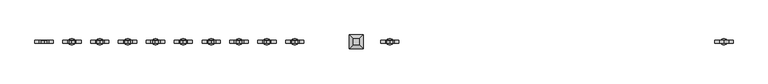
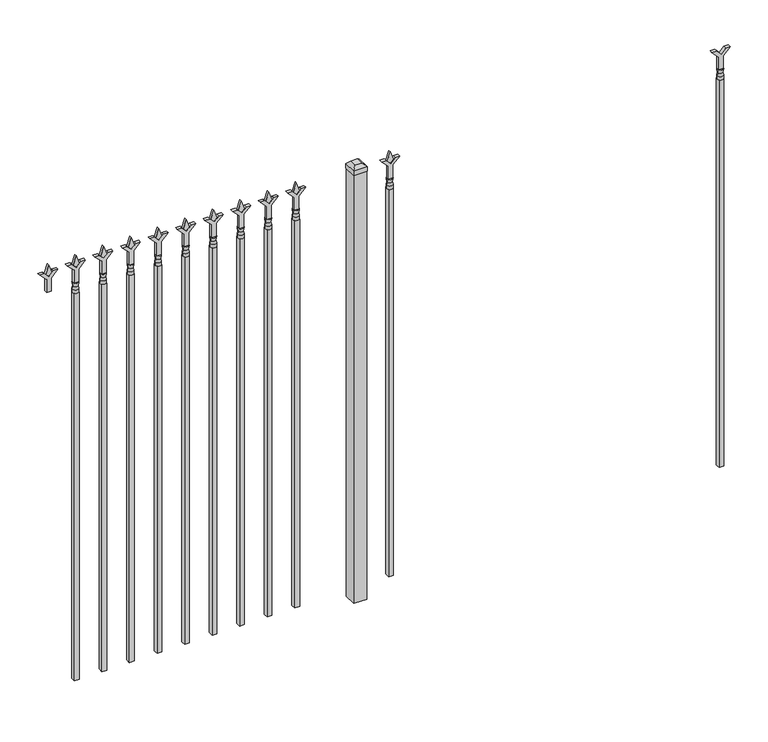
"""IFC4 building model written with IfcOpenShell, lengths in millimetres: railing geometry."""

from ifc_helpers import new_model, si_unit, frame, origin, origin_with_axes, place, context, project, spatial, polyline, circle_curve, outline, extrude, faceted_brep, source, transform, mapped, element, save
from ifc_brep_helpers import plane_surface, cylinder_surface, revolved_surface, advanced_brep


def railing_08a233e8(model_context):
    return source(origin(), model_context, "Body", "SolidModel", [
        extrude(outline(polyline([(1717.675, -64414.749337), (1771.9457378, -64414.749337), (1799.1355122, -64387.5595625), (1799.1355122, -64405.5200747), (1781.175, -64423.480587), (1799.1355122, -64441.4410992), (1799.1355122, -64459.4016114), (1771.9457378, -64432.211837), (1717.675, -64432.211837), (1717.675, -64414.749337)])), frame((0.0, -6737.6070174, 0.0), z_axis=(0.0, 1.0, 0.0), x_axis=(0.0, 0.0, 1.0)), (0.0, 0.0, 1.0), 12.7),
        advanced_brep(
        [(-64411.574337, -6731.2570174, 1689.1), (-64435.386837, -6731.2570174, 1689.1), (-64435.386837, -6731.2570174, 1676.4), (-64411.574337, -6731.2570174, 1676.4), (-64413.7796688, -6731.2570174, 1701.6070585), (-64433.1815051, -6731.2570174, 1701.6070585), (-64411.574337, -6731.2570174, 1717.675), (-64435.386837, -6731.2570174, 1717.675), (-64423.480587, -6731.2570174, 1717.675), (-64423.480587, -6731.2570174, 1676.4)],
        [
            (0, 1, circle_curve(frame((-64423.480587, -6731.2570174, 1689.1), z_axis=(0.0, 0.0, -1.0), x_axis=(-1.0, 0.0, 0.0)), 11.90625)),
            (1, 2),
            (2, 3, circle_curve(frame((-64423.480587, -6731.2570174, 1676.4), z_axis=(0.0, 0.0, 1.0), x_axis=(-1.0, 0.0, 0.0)), 11.90625)),
            (3, 0),
            (1, 0, circle_curve(frame((-64423.480587, -6731.2570174, 1689.1), z_axis=(0.0, 0.0, -1.0), x_axis=(-1.0, 0.0, 0.0)), 11.90625)),
            (3, 2, circle_curve(frame((-64423.480587, -6731.2570174, 1676.4), z_axis=(0.0, 0.0, 1.0), x_axis=(-1.0, 0.0, 0.0)), 11.90625)),
            (4, 5, circle_curve(frame((-64423.480587, -6731.2570174, 1701.6070585), z_axis=(0.0, 0.0, -1.0), x_axis=(-1.0, 0.0, 0.0)), 9.7009181)),
            (5, 1),
            (0, 4),
            (5, 4, circle_curve(frame((-64423.480587, -6731.2570174, 1701.6070585), z_axis=(0.0, 0.0, -1.0), x_axis=(-1.0, 0.0, 0.0)), 9.7009181)),
            (6, 7, circle_curve(frame((-64423.480587, -6731.2570174, 1717.675), z_axis=(0.0, 0.0, -1.0), x_axis=(-1.0, 0.0, 0.0)), 11.90625)),
            (7, 5),
            (4, 6),
            (7, 6, circle_curve(frame((-64423.480587, -6731.2570174, 1717.675), z_axis=(0.0, 0.0, -1.0), x_axis=(-1.0, 0.0, 0.0)), 11.90625)),
            (8, 7),
            (6, 8),
            (2, 9),
            (9, 3),
        ],
        [
            cylinder_surface(frame((-64423.480587, -6731.2570174, 1676.4), z_axis=(0.0, 0.0, 1.0), x_axis=(-1.0, 0.0, 0.0)), 11.90625),
            revolved_surface(polyline([(-64435.386837, -6731.2570174, 1689.1), (-64433.1815051, -6731.2570174, 1701.6070585)]), (-64423.480587, -6731.2570174, 1676.4), (0.0, 0.0, 1.0)),
            revolved_surface(polyline([(-64433.1815051, -6731.2570174, 1701.6070585), (-64435.386837, -6731.2570174, 1717.675)]), (-64423.480587, -6731.2570174, 1676.4), (0.0, 0.0, 1.0)),
            plane_surface(frame((-64423.480587, -6731.2570174, 1717.675), z_axis=(0.0, 0.0, 1.0), x_axis=(-1.0, 0.0, 0.0))),
            plane_surface(frame((-64423.480587, -6731.2570174, 1676.4), z_axis=(0.0, 0.0, -1.0), x_axis=(-1.0, 0.0, 0.0))),
        ],
        [
            (0, [[1, 2, 3, 4]]),
            (0, [[5, -4, 6, -2]]),
            (1, [[7, 8, -1, 9]]),
            (1, [[10, -9, -5, -8]]),
            (2, [[11, 12, -7, 13]]),
            (2, [[14, -13, -10, -12]]),
            (3, [[15, -11, 16]]),
            (3, [[-16, -14, -15]]),
            (4, [[-3, 17, 18]]),
            (4, [[-6, -18, -17]]),
        ],
    ),
        extrude(outline(polyline([(-64433.005587, -6721.7320174), (-64413.955587, -6721.7320174), (-64413.955587, -6740.7820174), (-64433.005587, -6740.7820174), (-64433.005587, -6721.7320174)])), frame((0.0, 0.0, 50.8), z_axis=(0.0, 0.0, 1.0), x_axis=(1.0, 0.0, 0.0)), (0.0, 0.0, 1.0), 1625.6),
        extrude(outline(polyline([(1793.08125, -65722.849337), (1828.8, -65734.755587), (1793.08125, -65746.661837), (1781.175, -65734.755587), (1793.08125, -65722.849337)])), frame((0.0, -6736.0195174, 0.0), z_axis=(0.0, 1.0, 0.0), x_axis=(0.0, 0.0, 1.0)), (0.0, 0.0, 1.0), 9.525),
        extrude(outline(polyline([(1717.675, -65726.024337), (1771.9457378, -65726.024337), (1799.1355122, -65698.8345625), (1799.1355122, -65716.7950747), (1781.175, -65734.755587), (1799.1355122, -65752.7160992), (1799.1355122, -65770.6766114), (1771.9457378, -65743.486837), (1717.675, -65743.486837), (1717.675, -65726.024337)])), frame((0.0, -6737.6070174, 0.0), z_axis=(0.0, 1.0, 0.0), x_axis=(0.0, 0.0, 1.0)), (0.0, 0.0, 1.0), 12.7),
        advanced_brep(
        [(-65722.849337, -6731.2570174, 1689.1), (-65746.661837, -6731.2570174, 1689.1), (-65746.661837, -6731.2570174, 1676.4), (-65722.849337, -6731.2570174, 1676.4), (-65725.0546688, -6731.2570174, 1701.6070585), (-65744.4565051, -6731.2570174, 1701.6070585), (-65722.849337, -6731.2570174, 1717.675), (-65746.661837, -6731.2570174, 1717.675), (-65734.755587, -6731.2570174, 1717.675), (-65734.755587, -6731.2570174, 1676.4)],
        [
            (0, 1, circle_curve(frame((-65734.755587, -6731.2570174, 1689.1), z_axis=(0.0, 0.0, -1.0), x_axis=(-1.0, 0.0, 0.0)), 11.90625)),
            (1, 2),
            (2, 3, circle_curve(frame((-65734.755587, -6731.2570174, 1676.4), z_axis=(0.0, 0.0, 1.0), x_axis=(-1.0, 0.0, 0.0)), 11.90625)),
            (3, 0),
            (1, 0, circle_curve(frame((-65734.755587, -6731.2570174, 1689.1), z_axis=(0.0, 0.0, -1.0), x_axis=(-1.0, 0.0, 0.0)), 11.90625)),
            (3, 2, circle_curve(frame((-65734.755587, -6731.2570174, 1676.4), z_axis=(0.0, 0.0, 1.0), x_axis=(-1.0, 0.0, 0.0)), 11.90625)),
            (4, 5, circle_curve(frame((-65734.755587, -6731.2570174, 1701.6070585), z_axis=(0.0, 0.0, -1.0), x_axis=(-1.0, 0.0, 0.0)), 9.7009181)),
            (5, 1),
            (0, 4),
            (5, 4, circle_curve(frame((-65734.755587, -6731.2570174, 1701.6070585), z_axis=(0.0, 0.0, -1.0), x_axis=(-1.0, 0.0, 0.0)), 9.7009181)),
            (6, 7, circle_curve(frame((-65734.755587, -6731.2570174, 1717.675), z_axis=(0.0, 0.0, -1.0), x_axis=(-1.0, 0.0, 0.0)), 11.90625)),
            (7, 5),
            (4, 6),
            (7, 6, circle_curve(frame((-65734.755587, -6731.2570174, 1717.675), z_axis=(0.0, 0.0, -1.0), x_axis=(-1.0, 0.0, 0.0)), 11.90625)),
            (8, 7),
            (6, 8),
            (2, 9),
            (9, 3),
        ],
        [
            cylinder_surface(frame((-65734.755587, -6731.2570174, 1676.4), z_axis=(0.0, 0.0, 1.0), x_axis=(-1.0, 0.0, 0.0)), 11.90625),
            revolved_surface(polyline([(-65746.661837, -6731.2570174, 1689.1), (-65744.4565051, -6731.2570174, 1701.6070585)]), (-65734.755587, -6731.2570174, 1676.4), (0.0, 0.0, 1.0)),
            revolved_surface(polyline([(-65744.4565051, -6731.2570174, 1701.6070585), (-65746.661837, -6731.2570174, 1717.675)]), (-65734.755587, -6731.2570174, 1676.4), (0.0, 0.0, 1.0)),
            plane_surface(frame((-65734.755587, -6731.2570174, 1717.675), z_axis=(0.0, 0.0, 1.0), x_axis=(-1.0, 0.0, 0.0))),
            plane_surface(frame((-65734.755587, -6731.2570174, 1676.4), z_axis=(0.0, 0.0, -1.0), x_axis=(-1.0, 0.0, 0.0))),
        ],
        [
            (0, [[1, 2, 3, 4]]),
            (0, [[5, -4, 6, -2]]),
            (1, [[7, 8, -1, 9]]),
            (1, [[10, -9, -5, -8]]),
            (2, [[11, 12, -7, 13]]),
            (2, [[14, -13, -10, -12]]),
            (3, [[15, -11, 16]]),
            (3, [[-16, -14, -15]]),
            (4, [[-3, 17, 18]]),
            (4, [[-6, -18, -17]]),
        ],
    ),
        extrude(outline(polyline([(-65744.280587, -6721.7320174), (-65725.230587, -6721.7320174), (-65725.230587, -6740.7820174), (-65744.280587, -6740.7820174), (-65744.280587, -6721.7320174)])), frame((0.0, 0.0, 50.8), z_axis=(0.0, 0.0, 1.0), x_axis=(1.0, 0.0, 0.0)), (0.0, 0.0, 1.0), 1625.6),
        extrude(outline(polyline([(-65841.118087, -6705.8570174), (-65841.118087, -6756.6570174), (-65891.918087, -6756.6570174), (-65891.918087, -6705.8570174), (-65841.118087, -6705.8570174)])), origin_with_axes(), (0.0, 0.0, 1.0), 1797.05),
        faceted_brep([(-65893.505587, -6704.2695174, 1816.1), (-65893.505587, -6704.2695174, 1797.05), (-65893.505587, -6758.2445174, 1797.05), (-65893.505587, -6758.2445174, 1816.1), (-65880.805587, -6716.9695174, 1828.8), (-65880.805587, -6745.5445174, 1828.8), (-65839.530587, -6758.2445174, 1797.05), (-65839.530587, -6758.2445174, 1816.1), (-65852.230587, -6745.5445174, 1828.8), (-65839.530587, -6704.2695174, 1797.05), (-65839.530587, -6704.2695174, 1816.1), (-65852.230587, -6716.9695174, 1828.8)], [[[0, 1, 2, 3]], [[4, 0, 3, 5]], [[3, 2, 6, 7]], [[5, 3, 7, 8]], [[7, 6, 9, 10]], [[8, 7, 10, 11]], [[10, 9, 1, 0]], [[11, 10, 0, 4]], [[5, 8, 11, 4]], [[1, 9, 6, 2]]]),
        extrude(outline(polyline([(1793.08125, -66095.6472536), (1828.8, -66107.5535036), (1793.08125, -66119.4597536), (1781.175, -66107.5535036), (1793.08125, -66095.6472536)])), frame((0.0, -6736.0195174, 0.0), z_axis=(0.0, 1.0, 0.0), x_axis=(0.0, 0.0, 1.0)), (0.0, 0.0, 1.0), 9.525),
        extrude(outline(polyline([(1717.675, -66098.8222536), (1771.9457378, -66098.8222536), (1799.1355122, -66071.6324791), (1799.1355122, -66089.5929914), (1781.175, -66107.5535036), (1799.1355122, -66125.5140159), (1799.1355122, -66143.4745281), (1771.9457378, -66116.2847536), (1717.675, -66116.2847536), (1717.675, -66098.8222536)])), frame((0.0, -6737.6070174, 0.0), z_axis=(0.0, 1.0, 0.0), x_axis=(0.0, 0.0, 1.0)), (0.0, 0.0, 1.0), 12.7),
        advanced_brep(
        [(-66095.6472536, -6731.2570174, 1689.1), (-66119.4597536, -6731.2570174, 1689.1), (-66119.4597536, -6731.2570174, 1676.4), (-66095.6472536, -6731.2570174, 1676.4), (-66097.8525855, -6731.2570174, 1701.6070585), (-66117.2544218, -6731.2570174, 1701.6070585), (-66095.6472536, -6731.2570174, 1717.675), (-66119.4597536, -6731.2570174, 1717.675), (-66107.5535036, -6731.2570174, 1717.675), (-66107.5535036, -6731.2570174, 1676.4)],
        [
            (0, 1, circle_curve(frame((-66107.5535036, -6731.2570174, 1689.1), z_axis=(0.0, 0.0, -1.0), x_axis=(-1.0, 0.0, 0.0)), 11.90625)),
            (1, 2),
            (2, 3, circle_curve(frame((-66107.5535036, -6731.2570174, 1676.4), z_axis=(0.0, 0.0, 1.0), x_axis=(-1.0, 0.0, 0.0)), 11.90625)),
            (3, 0),
            (1, 0, circle_curve(frame((-66107.5535036, -6731.2570174, 1689.1), z_axis=(0.0, 0.0, -1.0), x_axis=(-1.0, 0.0, 0.0)), 11.90625)),
            (3, 2, circle_curve(frame((-66107.5535036, -6731.2570174, 1676.4), z_axis=(0.0, 0.0, 1.0), x_axis=(-1.0, 0.0, 0.0)), 11.90625)),
            (4, 5, circle_curve(frame((-66107.5535036, -6731.2570174, 1701.6070585), z_axis=(0.0, 0.0, -1.0), x_axis=(-1.0, 0.0, 0.0)), 9.7009181)),
            (5, 1),
            (0, 4),
            (5, 4, circle_curve(frame((-66107.5535036, -6731.2570174, 1701.6070585), z_axis=(0.0, 0.0, -1.0), x_axis=(-1.0, 0.0, 0.0)), 9.7009181)),
            (6, 7, circle_curve(frame((-66107.5535036, -6731.2570174, 1717.675), z_axis=(0.0, 0.0, -1.0), x_axis=(-1.0, 0.0, 0.0)), 11.90625)),
            (7, 5),
            (4, 6),
            (7, 6, circle_curve(frame((-66107.5535036, -6731.2570174, 1717.675), z_axis=(0.0, 0.0, -1.0), x_axis=(-1.0, 0.0, 0.0)), 11.90625)),
            (8, 7),
            (6, 8),
            (2, 9),
            (9, 3),
        ],
        [
            cylinder_surface(frame((-66107.5535036, -6731.2570174, 1676.4), z_axis=(0.0, 0.0, 1.0), x_axis=(-1.0, 0.0, 0.0)), 11.90625),
            revolved_surface(polyline([(-66119.4597536, -6731.2570174, 1689.1), (-66117.2544218, -6731.2570174, 1701.6070585)]), (-66107.5535036, -6731.2570174, 1676.4), (0.0, 0.0, 1.0)),
            revolved_surface(polyline([(-66117.2544218, -6731.2570174, 1701.6070585), (-66119.4597536, -6731.2570174, 1717.675)]), (-66107.5535036, -6731.2570174, 1676.4), (0.0, 0.0, 1.0)),
            plane_surface(frame((-66107.5535036, -6731.2570174, 1717.675), z_axis=(0.0, 0.0, 1.0), x_axis=(-1.0, 0.0, 0.0))),
            plane_surface(frame((-66107.5535036, -6731.2570174, 1676.4), z_axis=(0.0, 0.0, -1.0), x_axis=(-1.0, 0.0, 0.0))),
        ],
        [
            (0, [[1, 2, 3, 4]]),
            (0, [[5, -4, 6, -2]]),
            (1, [[7, 8, -1, 9]]),
            (1, [[10, -9, -5, -8]]),
            (2, [[11, 12, -7, 13]]),
            (2, [[14, -13, -10, -12]]),
            (3, [[15, -11, 16]]),
            (3, [[-16, -14, -15]]),
            (4, [[-3, 17, 18]]),
            (4, [[-6, -18, -17]]),
        ],
    ),
        extrude(outline(polyline([(-66117.0785036, -6721.7320174), (-66098.0285036, -6721.7320174), (-66098.0285036, -6740.7820174), (-66117.0785036, -6740.7820174), (-66117.0785036, -6721.7320174)])), frame((0.0, 0.0, 50.8), z_axis=(0.0, 0.0, 1.0), x_axis=(1.0, 0.0, 0.0)), (0.0, 0.0, 1.0), 1625.6),
        extrude(outline(polyline([(1793.08125, -66204.9201703), (1828.8, -66216.8264203), (1793.08125, -66228.7326703), (1781.175, -66216.8264203), (1793.08125, -66204.9201703)])), frame((0.0, -6736.0195174, 0.0), z_axis=(0.0, 1.0, 0.0), x_axis=(0.0, 0.0, 1.0)), (0.0, 0.0, 1.0), 9.525),
        extrude(outline(polyline([(1717.675, -66208.0951703), (1771.9457378, -66208.0951703), (1799.1355122, -66180.9053958), (1799.1355122, -66198.8659081), (1781.175, -66216.8264203), (1799.1355122, -66234.7869325), (1799.1355122, -66252.7474448), (1771.9457378, -66225.5576703), (1717.675, -66225.5576703), (1717.675, -66208.0951703)])), frame((0.0, -6737.6070174, 0.0), z_axis=(0.0, 1.0, 0.0), x_axis=(0.0, 0.0, 1.0)), (0.0, 0.0, 1.0), 12.7),
        advanced_brep(
        [(-66204.9201703, -6731.2570174, 1689.1), (-66228.7326703, -6731.2570174, 1689.1), (-66228.7326703, -6731.2570174, 1676.4), (-66204.9201703, -6731.2570174, 1676.4), (-66207.1255022, -6731.2570174, 1701.6070585), (-66226.5273384, -6731.2570174, 1701.6070585), (-66204.9201703, -6731.2570174, 1717.675), (-66228.7326703, -6731.2570174, 1717.675), (-66216.8264203, -6731.2570174, 1717.675), (-66216.8264203, -6731.2570174, 1676.4)],
        [
            (0, 1, circle_curve(frame((-66216.8264203, -6731.2570174, 1689.1), z_axis=(0.0, 0.0, -1.0), x_axis=(-1.0, 0.0, 0.0)), 11.90625)),
            (1, 2),
            (2, 3, circle_curve(frame((-66216.8264203, -6731.2570174, 1676.4), z_axis=(0.0, 0.0, 1.0), x_axis=(-1.0, 0.0, 0.0)), 11.90625)),
            (3, 0),
            (1, 0, circle_curve(frame((-66216.8264203, -6731.2570174, 1689.1), z_axis=(0.0, 0.0, -1.0), x_axis=(-1.0, 0.0, 0.0)), 11.90625)),
            (3, 2, circle_curve(frame((-66216.8264203, -6731.2570174, 1676.4), z_axis=(0.0, 0.0, 1.0), x_axis=(-1.0, 0.0, 0.0)), 11.90625)),
            (4, 5, circle_curve(frame((-66216.8264203, -6731.2570174, 1701.6070585), z_axis=(0.0, 0.0, -1.0), x_axis=(-1.0, 0.0, 0.0)), 9.7009181)),
            (5, 1),
            (0, 4),
            (5, 4, circle_curve(frame((-66216.8264203, -6731.2570174, 1701.6070585), z_axis=(0.0, 0.0, -1.0), x_axis=(-1.0, 0.0, 0.0)), 9.7009181)),
            (6, 7, circle_curve(frame((-66216.8264203, -6731.2570174, 1717.675), z_axis=(0.0, 0.0, -1.0), x_axis=(-1.0, 0.0, 0.0)), 11.90625)),
            (7, 5),
            (4, 6),
            (7, 6, circle_curve(frame((-66216.8264203, -6731.2570174, 1717.675), z_axis=(0.0, 0.0, -1.0), x_axis=(-1.0, 0.0, 0.0)), 11.90625)),
            (8, 7),
            (6, 8),
            (2, 9),
            (9, 3),
        ],
        [
            cylinder_surface(frame((-66216.8264203, -6731.2570174, 1676.4), z_axis=(0.0, 0.0, 1.0), x_axis=(-1.0, 0.0, 0.0)), 11.90625),
            revolved_surface(polyline([(-66228.7326703, -6731.2570174, 1689.1), (-66226.5273384, -6731.2570174, 1701.6070585)]), (-66216.8264203, -6731.2570174, 1676.4), (0.0, 0.0, 1.0)),
            revolved_surface(polyline([(-66226.5273384, -6731.2570174, 1701.6070585), (-66228.7326703, -6731.2570174, 1717.675)]), (-66216.8264203, -6731.2570174, 1676.4), (0.0, 0.0, 1.0)),
            plane_surface(frame((-66216.8264203, -6731.2570174, 1717.675), z_axis=(0.0, 0.0, 1.0), x_axis=(-1.0, 0.0, 0.0))),
            plane_surface(frame((-66216.8264203, -6731.2570174, 1676.4), z_axis=(0.0, 0.0, -1.0), x_axis=(-1.0, 0.0, 0.0))),
        ],
        [
            (0, [[1, 2, 3, 4]]),
            (0, [[5, -4, 6, -2]]),
            (1, [[7, 8, -1, 9]]),
            (1, [[10, -9, -5, -8]]),
            (2, [[11, 12, -7, 13]]),
            (2, [[14, -13, -10, -12]]),
            (3, [[15, -11, 16]]),
            (3, [[-16, -14, -15]]),
            (4, [[-3, 17, 18]]),
            (4, [[-6, -18, -17]]),
        ],
    ),
        extrude(outline(polyline([(-66226.3514203, -6721.7320174), (-66207.3014203, -6721.7320174), (-66207.3014203, -6740.7820174), (-66226.3514203, -6740.7820174), (-66226.3514203, -6721.7320174)])), frame((0.0, 0.0, 50.8), z_axis=(0.0, 0.0, 1.0), x_axis=(1.0, 0.0, 0.0)), (0.0, 0.0, 1.0), 1625.6),
        extrude(outline(polyline([(1793.08125, -66314.193087), (1828.8, -66326.099337), (1793.08125, -66338.005587), (1781.175, -66326.099337), (1793.08125, -66314.193087)])), frame((0.0, -6736.0195174, 0.0), z_axis=(0.0, 1.0, 0.0), x_axis=(0.0, 0.0, 1.0)), (0.0, 0.0, 1.0), 9.525),
        extrude(outline(polyline([(1717.675, -66317.368087), (1771.9457378, -66317.368087), (1799.1355122, -66290.1783125), (1799.1355122, -66308.1388247), (1781.175, -66326.099337), (1799.1355122, -66344.0598492), (1799.1355122, -66362.0203614), (1771.9457378, -66334.830587), (1717.675, -66334.830587), (1717.675, -66317.368087)])), frame((0.0, -6737.6070174, 0.0), z_axis=(0.0, 1.0, 0.0), x_axis=(0.0, 0.0, 1.0)), (0.0, 0.0, 1.0), 12.7),
        advanced_brep(
        [(-66314.193087, -6731.2570174, 1689.1), (-66338.005587, -6731.2570174, 1689.1), (-66338.005587, -6731.2570174, 1676.4), (-66314.193087, -6731.2570174, 1676.4), (-66316.3984188, -6731.2570174, 1701.6070585), (-66335.8002551, -6731.2570174, 1701.6070585), (-66314.193087, -6731.2570174, 1717.675), (-66338.005587, -6731.2570174, 1717.675), (-66326.099337, -6731.2570174, 1717.675), (-66326.099337, -6731.2570174, 1676.4)],
        [
            (0, 1, circle_curve(frame((-66326.099337, -6731.2570174, 1689.1), z_axis=(0.0, 0.0, -1.0), x_axis=(-1.0, 0.0, 0.0)), 11.90625)),
            (1, 2),
            (2, 3, circle_curve(frame((-66326.099337, -6731.2570174, 1676.4), z_axis=(0.0, 0.0, 1.0), x_axis=(-1.0, 0.0, 0.0)), 11.90625)),
            (3, 0),
            (1, 0, circle_curve(frame((-66326.099337, -6731.2570174, 1689.1), z_axis=(0.0, 0.0, -1.0), x_axis=(-1.0, 0.0, 0.0)), 11.90625)),
            (3, 2, circle_curve(frame((-66326.099337, -6731.2570174, 1676.4), z_axis=(0.0, 0.0, 1.0), x_axis=(-1.0, 0.0, 0.0)), 11.90625)),
            (4, 5, circle_curve(frame((-66326.099337, -6731.2570174, 1701.6070585), z_axis=(0.0, 0.0, -1.0), x_axis=(-1.0, 0.0, 0.0)), 9.7009181)),
            (5, 1),
            (0, 4),
            (5, 4, circle_curve(frame((-66326.099337, -6731.2570174, 1701.6070585), z_axis=(0.0, 0.0, -1.0), x_axis=(-1.0, 0.0, 0.0)), 9.7009181)),
            (6, 7, circle_curve(frame((-66326.099337, -6731.2570174, 1717.675), z_axis=(0.0, 0.0, -1.0), x_axis=(-1.0, 0.0, 0.0)), 11.90625)),
            (7, 5),
            (4, 6),
            (7, 6, circle_curve(frame((-66326.099337, -6731.2570174, 1717.675), z_axis=(0.0, 0.0, -1.0), x_axis=(-1.0, 0.0, 0.0)), 11.90625)),
            (8, 7),
            (6, 8),
            (2, 9),
            (9, 3),
        ],
        [
            cylinder_surface(frame((-66326.099337, -6731.2570174, 1676.4), z_axis=(0.0, 0.0, 1.0), x_axis=(-1.0, 0.0, 0.0)), 11.90625),
            revolved_surface(polyline([(-66338.005587, -6731.2570174, 1689.1), (-66335.8002551, -6731.2570174, 1701.6070585)]), (-66326.099337, -6731.2570174, 1676.4), (0.0, 0.0, 1.0)),
            revolved_surface(polyline([(-66335.8002551, -6731.2570174, 1701.6070585), (-66338.005587, -6731.2570174, 1717.675)]), (-66326.099337, -6731.2570174, 1676.4), (0.0, 0.0, 1.0)),
            plane_surface(frame((-66326.099337, -6731.2570174, 1717.675), z_axis=(0.0, 0.0, 1.0), x_axis=(-1.0, 0.0, 0.0))),
            plane_surface(frame((-66326.099337, -6731.2570174, 1676.4), z_axis=(0.0, 0.0, -1.0), x_axis=(-1.0, 0.0, 0.0))),
        ],
        [
            (0, [[1, 2, 3, 4]]),
            (0, [[5, -4, 6, -2]]),
            (1, [[7, 8, -1, 9]]),
            (1, [[10, -9, -5, -8]]),
            (2, [[11, 12, -7, 13]]),
            (2, [[14, -13, -10, -12]]),
            (3, [[15, -11, 16]]),
            (3, [[-16, -14, -15]]),
            (4, [[-3, 17, 18]]),
            (4, [[-6, -18, -17]]),
        ],
    ),
        extrude(outline(polyline([(-66335.624337, -6721.7320174), (-66316.574337, -6721.7320174), (-66316.574337, -6740.7820174), (-66335.624337, -6740.7820174), (-66335.624337, -6721.7320174)])), frame((0.0, 0.0, 50.8), z_axis=(0.0, 0.0, 1.0), x_axis=(1.0, 0.0, 0.0)), (0.0, 0.0, 1.0), 1625.6),
        extrude(outline(polyline([(1793.08125, -66423.4660036), (1828.8, -66435.3722536), (1793.08125, -66447.2785036), (1781.175, -66435.3722536), (1793.08125, -66423.4660036)])), frame((0.0, -6736.0195174, 0.0), z_axis=(0.0, 1.0, 0.0), x_axis=(0.0, 0.0, 1.0)), (0.0, 0.0, 1.0), 9.525),
        extrude(outline(polyline([(1717.675, -66426.6410036), (1771.9457378, -66426.6410036), (1799.1355122, -66399.4512291), (1799.1355122, -66417.4117414), (1781.175, -66435.3722536), (1799.1355122, -66453.3327659), (1799.1355122, -66471.2932781), (1771.9457378, -66444.1035036), (1717.675, -66444.1035036), (1717.675, -66426.6410036)])), frame((0.0, -6737.6070174, 0.0), z_axis=(0.0, 1.0, 0.0), x_axis=(0.0, 0.0, 1.0)), (0.0, 0.0, 1.0), 12.7),
        advanced_brep(
        [(-66423.4660036, -6731.2570174, 1689.1), (-66447.2785036, -6731.2570174, 1689.1), (-66447.2785036, -6731.2570174, 1676.4), (-66423.4660036, -6731.2570174, 1676.4), (-66425.6713355, -6731.2570174, 1701.6070585), (-66445.0731718, -6731.2570174, 1701.6070585), (-66423.4660036, -6731.2570174, 1717.675), (-66447.2785036, -6731.2570174, 1717.675), (-66435.3722536, -6731.2570174, 1717.675), (-66435.3722536, -6731.2570174, 1676.4)],
        [
            (0, 1, circle_curve(frame((-66435.3722536, -6731.2570174, 1689.1), z_axis=(0.0, 0.0, -1.0), x_axis=(-1.0, 0.0, 0.0)), 11.90625)),
            (1, 2),
            (2, 3, circle_curve(frame((-66435.3722536, -6731.2570174, 1676.4), z_axis=(0.0, 0.0, 1.0), x_axis=(-1.0, 0.0, 0.0)), 11.90625)),
            (3, 0),
            (1, 0, circle_curve(frame((-66435.3722536, -6731.2570174, 1689.1), z_axis=(0.0, 0.0, -1.0), x_axis=(-1.0, 0.0, 0.0)), 11.90625)),
            (3, 2, circle_curve(frame((-66435.3722536, -6731.2570174, 1676.4), z_axis=(0.0, 0.0, 1.0), x_axis=(-1.0, 0.0, 0.0)), 11.90625)),
            (4, 5, circle_curve(frame((-66435.3722536, -6731.2570174, 1701.6070585), z_axis=(0.0, 0.0, -1.0), x_axis=(-1.0, 0.0, 0.0)), 9.7009181)),
            (5, 1),
            (0, 4),
            (5, 4, circle_curve(frame((-66435.3722536, -6731.2570174, 1701.6070585), z_axis=(0.0, 0.0, -1.0), x_axis=(-1.0, 0.0, 0.0)), 9.7009181)),
            (6, 7, circle_curve(frame((-66435.3722536, -6731.2570174, 1717.675), z_axis=(0.0, 0.0, -1.0), x_axis=(-1.0, 0.0, 0.0)), 11.90625)),
            (7, 5),
            (4, 6),
            (7, 6, circle_curve(frame((-66435.3722536, -6731.2570174, 1717.675), z_axis=(0.0, 0.0, -1.0), x_axis=(-1.0, 0.0, 0.0)), 11.90625)),
            (8, 7),
            (6, 8),
            (2, 9),
            (9, 3),
        ],
        [
            cylinder_surface(frame((-66435.3722536, -6731.2570174, 1676.4), z_axis=(0.0, 0.0, 1.0), x_axis=(-1.0, 0.0, 0.0)), 11.90625),
            revolved_surface(polyline([(-66447.2785036, -6731.2570174, 1689.1), (-66445.0731718, -6731.2570174, 1701.6070585)]), (-66435.3722536, -6731.2570174, 1676.4), (0.0, 0.0, 1.0)),
            revolved_surface(polyline([(-66445.0731718, -6731.2570174, 1701.6070585), (-66447.2785036, -6731.2570174, 1717.675)]), (-66435.3722536, -6731.2570174, 1676.4), (0.0, 0.0, 1.0)),
            plane_surface(frame((-66435.3722536, -6731.2570174, 1717.675), z_axis=(0.0, 0.0, 1.0), x_axis=(-1.0, 0.0, 0.0))),
            plane_surface(frame((-66435.3722536, -6731.2570174, 1676.4), z_axis=(0.0, 0.0, -1.0), x_axis=(-1.0, 0.0, 0.0))),
        ],
        [
            (0, [[1, 2, 3, 4]]),
            (0, [[5, -4, 6, -2]]),
            (1, [[7, 8, -1, 9]]),
            (1, [[10, -9, -5, -8]]),
            (2, [[11, 12, -7, 13]]),
            (2, [[14, -13, -10, -12]]),
            (3, [[15, -11, 16]]),
            (3, [[-16, -14, -15]]),
            (4, [[-3, 17, 18]]),
            (4, [[-6, -18, -17]]),
        ],
    ),
        extrude(outline(polyline([(-66444.8972536, -6721.7320174), (-66425.8472536, -6721.7320174), (-66425.8472536, -6740.7820174), (-66444.8972536, -6740.7820174), (-66444.8972536, -6721.7320174)])), frame((0.0, 0.0, 50.8), z_axis=(0.0, 0.0, 1.0), x_axis=(1.0, 0.0, 0.0)), (0.0, 0.0, 1.0), 1625.6),
        extrude(outline(polyline([(1793.08125, -66532.7389203), (1828.8, -66544.6451703), (1793.08125, -66556.5514203), (1781.175, -66544.6451703), (1793.08125, -66532.7389203)])), frame((0.0, -6736.0195174, 0.0), z_axis=(0.0, 1.0, 0.0), x_axis=(0.0, 0.0, 1.0)), (0.0, 0.0, 1.0), 9.525),
        extrude(outline(polyline([(1717.675, -66535.9139203), (1771.9457378, -66535.9139203), (1799.1355122, -66508.7241458), (1799.1355122, -66526.6846581), (1781.175, -66544.6451703), (1799.1355122, -66562.6056825), (1799.1355122, -66580.5661948), (1771.9457378, -66553.3764203), (1717.675, -66553.3764203), (1717.675, -66535.9139203)])), frame((0.0, -6737.6070174, 0.0), z_axis=(0.0, 1.0, 0.0), x_axis=(0.0, 0.0, 1.0)), (0.0, 0.0, 1.0), 12.7),
        advanced_brep(
        [(-66532.7389203, -6731.2570174, 1689.1), (-66556.5514203, -6731.2570174, 1689.1), (-66556.5514203, -6731.2570174, 1676.4), (-66532.7389203, -6731.2570174, 1676.4), (-66534.9442522, -6731.2570174, 1701.6070585), (-66554.3460884, -6731.2570174, 1701.6070585), (-66532.7389203, -6731.2570174, 1717.675), (-66556.5514203, -6731.2570174, 1717.675), (-66544.6451703, -6731.2570174, 1717.675), (-66544.6451703, -6731.2570174, 1676.4)],
        [
            (0, 1, circle_curve(frame((-66544.6451703, -6731.2570174, 1689.1), z_axis=(0.0, 0.0, -1.0), x_axis=(-1.0, 0.0, 0.0)), 11.90625)),
            (1, 2),
            (2, 3, circle_curve(frame((-66544.6451703, -6731.2570174, 1676.4), z_axis=(0.0, 0.0, 1.0), x_axis=(-1.0, 0.0, 0.0)), 11.90625)),
            (3, 0),
            (1, 0, circle_curve(frame((-66544.6451703, -6731.2570174, 1689.1), z_axis=(0.0, 0.0, -1.0), x_axis=(-1.0, 0.0, 0.0)), 11.90625)),
            (3, 2, circle_curve(frame((-66544.6451703, -6731.2570174, 1676.4), z_axis=(0.0, 0.0, 1.0), x_axis=(-1.0, 0.0, 0.0)), 11.90625)),
            (4, 5, circle_curve(frame((-66544.6451703, -6731.2570174, 1701.6070585), z_axis=(0.0, 0.0, -1.0), x_axis=(-1.0, 0.0, 0.0)), 9.7009181)),
            (5, 1),
            (0, 4),
            (5, 4, circle_curve(frame((-66544.6451703, -6731.2570174, 1701.6070585), z_axis=(0.0, 0.0, -1.0), x_axis=(-1.0, 0.0, 0.0)), 9.7009181)),
            (6, 7, circle_curve(frame((-66544.6451703, -6731.2570174, 1717.675), z_axis=(0.0, 0.0, -1.0), x_axis=(-1.0, 0.0, 0.0)), 11.90625)),
            (7, 5),
            (4, 6),
            (7, 6, circle_curve(frame((-66544.6451703, -6731.2570174, 1717.675), z_axis=(0.0, 0.0, -1.0), x_axis=(-1.0, 0.0, 0.0)), 11.90625)),
            (8, 7),
            (6, 8),
            (2, 9),
            (9, 3),
        ],
        [
            cylinder_surface(frame((-66544.6451703, -6731.2570174, 1676.4), z_axis=(0.0, 0.0, 1.0), x_axis=(-1.0, 0.0, 0.0)), 11.90625),
            revolved_surface(polyline([(-66556.5514203, -6731.2570174, 1689.1), (-66554.3460884, -6731.2570174, 1701.6070585)]), (-66544.6451703, -6731.2570174, 1676.4), (0.0, 0.0, 1.0)),
            revolved_surface(polyline([(-66554.3460884, -6731.2570174, 1701.6070585), (-66556.5514203, -6731.2570174, 1717.675)]), (-66544.6451703, -6731.2570174, 1676.4), (0.0, 0.0, 1.0)),
            plane_surface(frame((-66544.6451703, -6731.2570174, 1717.675), z_axis=(0.0, 0.0, 1.0), x_axis=(-1.0, 0.0, 0.0))),
            plane_surface(frame((-66544.6451703, -6731.2570174, 1676.4), z_axis=(0.0, 0.0, -1.0), x_axis=(-1.0, 0.0, 0.0))),
        ],
        [
            (0, [[1, 2, 3, 4]]),
            (0, [[5, -4, 6, -2]]),
            (1, [[7, 8, -1, 9]]),
            (1, [[10, -9, -5, -8]]),
            (2, [[11, 12, -7, 13]]),
            (2, [[14, -13, -10, -12]]),
            (3, [[15, -11, 16]]),
            (3, [[-16, -14, -15]]),
            (4, [[-3, 17, 18]]),
            (4, [[-6, -18, -17]]),
        ],
    ),
        extrude(outline(polyline([(-66554.1701703, -6721.7320174), (-66535.1201703, -6721.7320174), (-66535.1201703, -6740.7820174), (-66554.1701703, -6740.7820174), (-66554.1701703, -6721.7320174)])), frame((0.0, 0.0, 50.8), z_axis=(0.0, 0.0, 1.0), x_axis=(1.0, 0.0, 0.0)), (0.0, 0.0, 1.0), 1625.6),
        extrude(outline(polyline([(1793.08125, -66642.011837), (1828.8, -66653.918087), (1793.08125, -66665.824337), (1781.175, -66653.918087), (1793.08125, -66642.011837)])), frame((0.0, -6736.0195174, 0.0), z_axis=(0.0, 1.0, 0.0), x_axis=(0.0, 0.0, 1.0)), (0.0, 0.0, 1.0), 9.525),
        extrude(outline(polyline([(1717.675, -66645.186837), (1771.9457378, -66645.186837), (1799.1355122, -66617.9970625), (1799.1355122, -66635.9575747), (1781.175, -66653.918087), (1799.1355122, -66671.8785992), (1799.1355122, -66689.8391114), (1771.9457378, -66662.649337), (1717.675, -66662.649337), (1717.675, -66645.186837)])), frame((0.0, -6737.6070174, 0.0), z_axis=(0.0, 1.0, 0.0), x_axis=(0.0, 0.0, 1.0)), (0.0, 0.0, 1.0), 12.7),
        advanced_brep(
        [(-66642.011837, -6731.2570174, 1689.1), (-66665.824337, -6731.2570174, 1689.1), (-66665.824337, -6731.2570174, 1676.4), (-66642.011837, -6731.2570174, 1676.4), (-66644.2171688, -6731.2570174, 1701.6070585), (-66663.6190051, -6731.2570174, 1701.6070585), (-66642.011837, -6731.2570174, 1717.675), (-66665.824337, -6731.2570174, 1717.675), (-66653.918087, -6731.2570174, 1717.675), (-66653.918087, -6731.2570174, 1676.4)],
        [
            (0, 1, circle_curve(frame((-66653.918087, -6731.2570174, 1689.1), z_axis=(0.0, 0.0, -1.0), x_axis=(-1.0, 0.0, 0.0)), 11.90625)),
            (1, 2),
            (2, 3, circle_curve(frame((-66653.918087, -6731.2570174, 1676.4), z_axis=(0.0, 0.0, 1.0), x_axis=(-1.0, 0.0, 0.0)), 11.90625)),
            (3, 0),
            (1, 0, circle_curve(frame((-66653.918087, -6731.2570174, 1689.1), z_axis=(0.0, 0.0, -1.0), x_axis=(-1.0, 0.0, 0.0)), 11.90625)),
            (3, 2, circle_curve(frame((-66653.918087, -6731.2570174, 1676.4), z_axis=(0.0, 0.0, 1.0), x_axis=(-1.0, 0.0, 0.0)), 11.90625)),
            (4, 5, circle_curve(frame((-66653.918087, -6731.2570174, 1701.6070585), z_axis=(0.0, 0.0, -1.0), x_axis=(-1.0, 0.0, 0.0)), 9.7009181)),
            (5, 1),
            (0, 4),
            (5, 4, circle_curve(frame((-66653.918087, -6731.2570174, 1701.6070585), z_axis=(0.0, 0.0, -1.0), x_axis=(-1.0, 0.0, 0.0)), 9.7009181)),
            (6, 7, circle_curve(frame((-66653.918087, -6731.2570174, 1717.675), z_axis=(0.0, 0.0, -1.0), x_axis=(-1.0, 0.0, 0.0)), 11.90625)),
            (7, 5),
            (4, 6),
            (7, 6, circle_curve(frame((-66653.918087, -6731.2570174, 1717.675), z_axis=(0.0, 0.0, -1.0), x_axis=(-1.0, 0.0, 0.0)), 11.90625)),
            (8, 7),
            (6, 8),
            (2, 9),
            (9, 3),
        ],
        [
            cylinder_surface(frame((-66653.918087, -6731.2570174, 1676.4), z_axis=(0.0, 0.0, 1.0), x_axis=(-1.0, 0.0, 0.0)), 11.90625),
            revolved_surface(polyline([(-66665.824337, -6731.2570174, 1689.1), (-66663.6190051, -6731.2570174, 1701.6070585)]), (-66653.918087, -6731.2570174, 1676.4), (0.0, 0.0, 1.0)),
            revolved_surface(polyline([(-66663.6190051, -6731.2570174, 1701.6070585), (-66665.824337, -6731.2570174, 1717.675)]), (-66653.918087, -6731.2570174, 1676.4), (0.0, 0.0, 1.0)),
            plane_surface(frame((-66653.918087, -6731.2570174, 1717.675), z_axis=(0.0, 0.0, 1.0), x_axis=(-1.0, 0.0, 0.0))),
            plane_surface(frame((-66653.918087, -6731.2570174, 1676.4), z_axis=(0.0, 0.0, -1.0), x_axis=(-1.0, 0.0, 0.0))),
        ],
        [
            (0, [[1, 2, 3, 4]]),
            (0, [[5, -4, 6, -2]]),
            (1, [[7, 8, -1, 9]]),
            (1, [[10, -9, -5, -8]]),
            (2, [[11, 12, -7, 13]]),
            (2, [[14, -13, -10, -12]]),
            (3, [[15, -11, 16]]),
            (3, [[-16, -14, -15]]),
            (4, [[-3, 17, 18]]),
            (4, [[-6, -18, -17]]),
        ],
    ),
        extrude(outline(polyline([(-66663.443087, -6721.7320174), (-66644.393087, -6721.7320174), (-66644.393087, -6740.7820174), (-66663.443087, -6740.7820174), (-66663.443087, -6721.7320174)])), frame((0.0, 0.0, 50.8), z_axis=(0.0, 0.0, 1.0), x_axis=(1.0, 0.0, 0.0)), (0.0, 0.0, 1.0), 1625.6),
        extrude(outline(polyline([(1793.08125, -66751.2847536), (1828.8, -66763.1910036), (1793.08125, -66775.0972536), (1781.175, -66763.1910036), (1793.08125, -66751.2847536)])), frame((0.0, -6736.0195174, 0.0), z_axis=(0.0, 1.0, 0.0), x_axis=(0.0, 0.0, 1.0)), (0.0, 0.0, 1.0), 9.525),
        extrude(outline(polyline([(1717.675, -66754.4597536), (1771.9457378, -66754.4597536), (1799.1355122, -66727.2699791), (1799.1355122, -66745.2304914), (1781.175, -66763.1910036), (1799.1355122, -66781.1515159), (1799.1355122, -66799.1120281), (1771.9457378, -66771.9222536), (1717.675, -66771.9222536), (1717.675, -66754.4597536)])), frame((0.0, -6737.6070174, 0.0), z_axis=(0.0, 1.0, 0.0), x_axis=(0.0, 0.0, 1.0)), (0.0, 0.0, 1.0), 12.7),
        advanced_brep(
        [(-66751.2847536, -6731.2570174, 1689.1), (-66775.0972536, -6731.2570174, 1689.1), (-66775.0972536, -6731.2570174, 1676.4), (-66751.2847536, -6731.2570174, 1676.4), (-66753.4900855, -6731.2570174, 1701.6070585), (-66772.8919218, -6731.2570174, 1701.6070585), (-66751.2847536, -6731.2570174, 1717.675), (-66775.0972536, -6731.2570174, 1717.675), (-66763.1910036, -6731.2570174, 1717.675), (-66763.1910036, -6731.2570174, 1676.4)],
        [
            (0, 1, circle_curve(frame((-66763.1910036, -6731.2570174, 1689.1), z_axis=(0.0, 0.0, -1.0), x_axis=(-1.0, 0.0, 0.0)), 11.90625)),
            (1, 2),
            (2, 3, circle_curve(frame((-66763.1910036, -6731.2570174, 1676.4), z_axis=(0.0, 0.0, 1.0), x_axis=(-1.0, 0.0, 0.0)), 11.90625)),
            (3, 0),
            (1, 0, circle_curve(frame((-66763.1910036, -6731.2570174, 1689.1), z_axis=(0.0, 0.0, -1.0), x_axis=(-1.0, 0.0, 0.0)), 11.90625)),
            (3, 2, circle_curve(frame((-66763.1910036, -6731.2570174, 1676.4), z_axis=(0.0, 0.0, 1.0), x_axis=(-1.0, 0.0, 0.0)), 11.90625)),
            (4, 5, circle_curve(frame((-66763.1910036, -6731.2570174, 1701.6070585), z_axis=(0.0, 0.0, -1.0), x_axis=(-1.0, 0.0, 0.0)), 9.7009181)),
            (5, 1),
            (0, 4),
            (5, 4, circle_curve(frame((-66763.1910036, -6731.2570174, 1701.6070585), z_axis=(0.0, 0.0, -1.0), x_axis=(-1.0, 0.0, 0.0)), 9.7009181)),
            (6, 7, circle_curve(frame((-66763.1910036, -6731.2570174, 1717.675), z_axis=(0.0, 0.0, -1.0), x_axis=(-1.0, 0.0, 0.0)), 11.90625)),
            (7, 5),
            (4, 6),
            (7, 6, circle_curve(frame((-66763.1910036, -6731.2570174, 1717.675), z_axis=(0.0, 0.0, -1.0), x_axis=(-1.0, 0.0, 0.0)), 11.90625)),
            (8, 7),
            (6, 8),
            (2, 9),
            (9, 3),
        ],
        [
            cylinder_surface(frame((-66763.1910036, -6731.2570174, 1676.4), z_axis=(0.0, 0.0, 1.0), x_axis=(-1.0, 0.0, 0.0)), 11.90625),
            revolved_surface(polyline([(-66775.0972536, -6731.2570174, 1689.1), (-66772.8919218, -6731.2570174, 1701.6070585)]), (-66763.1910036, -6731.2570174, 1676.4), (0.0, 0.0, 1.0)),
            revolved_surface(polyline([(-66772.8919218, -6731.2570174, 1701.6070585), (-66775.0972536, -6731.2570174, 1717.675)]), (-66763.1910036, -6731.2570174, 1676.4), (0.0, 0.0, 1.0)),
            plane_surface(frame((-66763.1910036, -6731.2570174, 1717.675), z_axis=(0.0, 0.0, 1.0), x_axis=(-1.0, 0.0, 0.0))),
            plane_surface(frame((-66763.1910036, -6731.2570174, 1676.4), z_axis=(0.0, 0.0, -1.0), x_axis=(-1.0, 0.0, 0.0))),
        ],
        [
            (0, [[1, 2, 3, 4]]),
            (0, [[5, -4, 6, -2]]),
            (1, [[7, 8, -1, 9]]),
            (1, [[10, -9, -5, -8]]),
            (2, [[11, 12, -7, 13]]),
            (2, [[14, -13, -10, -12]]),
            (3, [[15, -11, 16]]),
            (3, [[-16, -14, -15]]),
            (4, [[-3, 17, 18]]),
            (4, [[-6, -18, -17]]),
        ],
    ),
        extrude(outline(polyline([(-66772.7160036, -6721.7320174), (-66753.6660036, -6721.7320174), (-66753.6660036, -6740.7820174), (-66772.7160036, -6740.7820174), (-66772.7160036, -6721.7320174)])), frame((0.0, 0.0, 50.8), z_axis=(0.0, 0.0, 1.0), x_axis=(1.0, 0.0, 0.0)), (0.0, 0.0, 1.0), 1625.6),
        extrude(outline(polyline([(1793.08125, -66860.5576703), (1828.8, -66872.4639203), (1793.08125, -66884.3701703), (1781.175, -66872.4639203), (1793.08125, -66860.5576703)])), frame((0.0, -6736.0195174, 0.0), z_axis=(0.0, 1.0, 0.0), x_axis=(0.0, 0.0, 1.0)), (0.0, 0.0, 1.0), 9.525),
        extrude(outline(polyline([(1717.675, -66863.7326703), (1771.9457378, -66863.7326703), (1799.1355122, -66836.5428958), (1799.1355122, -66854.5034081), (1781.175, -66872.4639203), (1799.1355122, -66890.4244325), (1799.1355122, -66908.3849448), (1771.9457378, -66881.1951703), (1717.675, -66881.1951703), (1717.675, -66863.7326703)])), frame((0.0, -6737.6070174, 0.0), z_axis=(0.0, 1.0, 0.0), x_axis=(0.0, 0.0, 1.0)), (0.0, 0.0, 1.0), 12.7),
        advanced_brep(
        [(-66860.5576703, -6731.2570174, 1689.1), (-66884.3701703, -6731.2570174, 1689.1), (-66884.3701703, -6731.2570174, 1676.4), (-66860.5576703, -6731.2570174, 1676.4), (-66862.7630022, -6731.2570174, 1701.6070585), (-66882.1648384, -6731.2570174, 1701.6070585), (-66860.5576703, -6731.2570174, 1717.675), (-66884.3701703, -6731.2570174, 1717.675), (-66872.4639203, -6731.2570174, 1717.675), (-66872.4639203, -6731.2570174, 1676.4)],
        [
            (0, 1, circle_curve(frame((-66872.4639203, -6731.2570174, 1689.1), z_axis=(0.0, 0.0, -1.0), x_axis=(-1.0, 0.0, 0.0)), 11.90625)),
            (1, 2),
            (2, 3, circle_curve(frame((-66872.4639203, -6731.2570174, 1676.4), z_axis=(0.0, 0.0, 1.0), x_axis=(-1.0, 0.0, 0.0)), 11.90625)),
            (3, 0),
            (1, 0, circle_curve(frame((-66872.4639203, -6731.2570174, 1689.1), z_axis=(0.0, 0.0, -1.0), x_axis=(-1.0, 0.0, 0.0)), 11.90625)),
            (3, 2, circle_curve(frame((-66872.4639203, -6731.2570174, 1676.4), z_axis=(0.0, 0.0, 1.0), x_axis=(-1.0, 0.0, 0.0)), 11.90625)),
            (4, 5, circle_curve(frame((-66872.4639203, -6731.2570174, 1701.6070585), z_axis=(0.0, 0.0, -1.0), x_axis=(-1.0, 0.0, 0.0)), 9.7009181)),
            (5, 1),
            (0, 4),
            (5, 4, circle_curve(frame((-66872.4639203, -6731.2570174, 1701.6070585), z_axis=(0.0, 0.0, -1.0), x_axis=(-1.0, 0.0, 0.0)), 9.7009181)),
            (6, 7, circle_curve(frame((-66872.4639203, -6731.2570174, 1717.675), z_axis=(0.0, 0.0, -1.0), x_axis=(-1.0, 0.0, 0.0)), 11.90625)),
            (7, 5),
            (4, 6),
            (7, 6, circle_curve(frame((-66872.4639203, -6731.2570174, 1717.675), z_axis=(0.0, 0.0, -1.0), x_axis=(-1.0, 0.0, 0.0)), 11.90625)),
            (8, 7),
            (6, 8),
            (2, 9),
            (9, 3),
        ],
        [
            cylinder_surface(frame((-66872.4639203, -6731.2570174, 1676.4), z_axis=(0.0, 0.0, 1.0), x_axis=(-1.0, 0.0, 0.0)), 11.90625),
            revolved_surface(polyline([(-66884.3701703, -6731.2570174, 1689.1), (-66882.1648384, -6731.2570174, 1701.6070585)]), (-66872.4639203, -6731.2570174, 1676.4), (0.0, 0.0, 1.0)),
            revolved_surface(polyline([(-66882.1648384, -6731.2570174, 1701.6070585), (-66884.3701703, -6731.2570174, 1717.675)]), (-66872.4639203, -6731.2570174, 1676.4), (0.0, 0.0, 1.0)),
            plane_surface(frame((-66872.4639203, -6731.2570174, 1717.675), z_axis=(0.0, 0.0, 1.0), x_axis=(-1.0, 0.0, 0.0))),
            plane_surface(frame((-66872.4639203, -6731.2570174, 1676.4), z_axis=(0.0, 0.0, -1.0), x_axis=(-1.0, 0.0, 0.0))),
        ],
        [
            (0, [[1, 2, 3, 4]]),
            (0, [[5, -4, 6, -2]]),
            (1, [[7, 8, -1, 9]]),
            (1, [[10, -9, -5, -8]]),
            (2, [[11, 12, -7, 13]]),
            (2, [[14, -13, -10, -12]]),
            (3, [[15, -11, 16]]),
            (3, [[-16, -14, -15]]),
            (4, [[-3, 17, 18]]),
            (4, [[-6, -18, -17]]),
        ],
    ),
        extrude(outline(polyline([(-66881.9889203, -6721.7320174), (-66862.9389203, -6721.7320174), (-66862.9389203, -6740.7820174), (-66881.9889203, -6740.7820174), (-66881.9889203, -6721.7320174)])), frame((0.0, 0.0, 50.8), z_axis=(0.0, 0.0, 1.0), x_axis=(1.0, 0.0, 0.0)), (0.0, 0.0, 1.0), 1625.6),
        extrude(outline(polyline([(1793.08125, -66969.830587), (1828.8, -66981.736837), (1793.08125, -66993.643087), (1781.175, -66981.736837), (1793.08125, -66969.830587)])), frame((0.0, -6736.0195174, 0.0), z_axis=(0.0, 1.0, 0.0), x_axis=(0.0, 0.0, 1.0)), (0.0, 0.0, 1.0), 9.525),
        extrude(outline(polyline([(1717.675, -66973.005587), (1771.9457378, -66973.005587), (1799.1355122, -66945.8158125), (1799.1355122, -66963.7763247), (1781.175, -66981.736837), (1799.1355122, -66999.6973492), (1799.1355122, -67017.6578614), (1771.9457378, -66990.468087), (1717.675, -66990.468087), (1717.675, -66973.005587)])), frame((0.0, -6737.6070174, 0.0), z_axis=(0.0, 1.0, 0.0), x_axis=(0.0, 0.0, 1.0)), (0.0, 0.0, 1.0), 12.7),
        advanced_brep(
        [(-66969.830587, -6731.2570174, 1689.1), (-66993.643087, -6731.2570174, 1689.1), (-66993.643087, -6731.2570174, 1676.4), (-66969.830587, -6731.2570174, 1676.4), (-66972.0359188, -6731.2570174, 1701.6070585), (-66991.4377551, -6731.2570174, 1701.6070585), (-66969.830587, -6731.2570174, 1717.675), (-66993.643087, -6731.2570174, 1717.675), (-66981.736837, -6731.2570174, 1717.675), (-66981.736837, -6731.2570174, 1676.4)],
        [
            (0, 1, circle_curve(frame((-66981.736837, -6731.2570174, 1689.1), z_axis=(0.0, 0.0, -1.0), x_axis=(-1.0, 0.0, 0.0)), 11.90625)),
            (1, 2),
            (2, 3, circle_curve(frame((-66981.736837, -6731.2570174, 1676.4), z_axis=(0.0, 0.0, 1.0), x_axis=(-1.0, 0.0, 0.0)), 11.90625)),
            (3, 0),
            (1, 0, circle_curve(frame((-66981.736837, -6731.2570174, 1689.1), z_axis=(0.0, 0.0, -1.0), x_axis=(-1.0, 0.0, 0.0)), 11.90625)),
            (3, 2, circle_curve(frame((-66981.736837, -6731.2570174, 1676.4), z_axis=(0.0, 0.0, 1.0), x_axis=(-1.0, 0.0, 0.0)), 11.90625)),
            (4, 5, circle_curve(frame((-66981.736837, -6731.2570174, 1701.6070585), z_axis=(0.0, 0.0, -1.0), x_axis=(-1.0, 0.0, 0.0)), 9.7009181)),
            (5, 1),
            (0, 4),
            (5, 4, circle_curve(frame((-66981.736837, -6731.2570174, 1701.6070585), z_axis=(0.0, 0.0, -1.0), x_axis=(-1.0, 0.0, 0.0)), 9.7009181)),
            (6, 7, circle_curve(frame((-66981.736837, -6731.2570174, 1717.675), z_axis=(0.0, 0.0, -1.0), x_axis=(-1.0, 0.0, 0.0)), 11.90625)),
            (7, 5),
            (4, 6),
            (7, 6, circle_curve(frame((-66981.736837, -6731.2570174, 1717.675), z_axis=(0.0, 0.0, -1.0), x_axis=(-1.0, 0.0, 0.0)), 11.90625)),
            (8, 7),
            (6, 8),
            (2, 9),
            (9, 3),
        ],
        [
            cylinder_surface(frame((-66981.736837, -6731.2570174, 1676.4), z_axis=(0.0, 0.0, 1.0), x_axis=(-1.0, 0.0, 0.0)), 11.90625),
            revolved_surface(polyline([(-66993.643087, -6731.2570174, 1689.1), (-66991.4377551, -6731.2570174, 1701.6070585)]), (-66981.736837, -6731.2570174, 1676.4), (0.0, 0.0, 1.0)),
            revolved_surface(polyline([(-66991.4377551, -6731.2570174, 1701.6070585), (-66993.643087, -6731.2570174, 1717.675)]), (-66981.736837, -6731.2570174, 1676.4), (0.0, 0.0, 1.0)),
            plane_surface(frame((-66981.736837, -6731.2570174, 1717.675), z_axis=(0.0, 0.0, 1.0), x_axis=(-1.0, 0.0, 0.0))),
            plane_surface(frame((-66981.736837, -6731.2570174, 1676.4), z_axis=(0.0, 0.0, -1.0), x_axis=(-1.0, 0.0, 0.0))),
        ],
        [
            (0, [[1, 2, 3, 4]]),
            (0, [[5, -4, 6, -2]]),
            (1, [[7, 8, -1, 9]]),
            (1, [[10, -9, -5, -8]]),
            (2, [[11, 12, -7, 13]]),
            (2, [[14, -13, -10, -12]]),
            (3, [[15, -11, 16]]),
            (3, [[-16, -14, -15]]),
            (4, [[-3, 17, 18]]),
            (4, [[-6, -18, -17]]),
        ],
    ),
        extrude(outline(polyline([(-66991.261837, -6721.7320174), (-66972.211837, -6721.7320174), (-66972.211837, -6740.7820174), (-66991.261837, -6740.7820174), (-66991.261837, -6721.7320174)])), frame((0.0, 0.0, 50.8), z_axis=(0.0, 0.0, 1.0), x_axis=(1.0, 0.0, 0.0)), (0.0, 0.0, 1.0), 1625.6),
        extrude(outline(polyline([(1793.08125, -67079.1035036), (1828.8, -67091.0097536), (1793.08125, -67102.9160036), (1781.175, -67091.0097536), (1793.08125, -67079.1035036)])), frame((0.0, -6736.0195174, 0.0), z_axis=(0.0, 1.0, 0.0), x_axis=(0.0, 0.0, 1.0)), (0.0, 0.0, 1.0), 9.525),
        extrude(outline(polyline([(1717.675, -67082.2785036), (1771.9457378, -67082.2785036), (1799.1355122, -67055.0887291), (1799.1355122, -67073.0492414), (1781.175, -67091.0097536), (1799.1355122, -67108.9702659), (1799.1355122, -67126.9307781), (1771.9457378, -67099.7410036), (1717.675, -67099.7410036), (1717.675, -67082.2785036)])), frame((0.0, -6737.6070174, 0.0), z_axis=(0.0, 1.0, 0.0), x_axis=(0.0, 0.0, 1.0)), (0.0, 0.0, 1.0), 12.7),
    ])


if __name__ == "__main__":
    model = new_model("IFC4")
    model_context = context("Model", 3, world=origin())
    ifc_project = project(units=[si_unit("LENGTHUNIT", "METRE", prefix="MILLI")], contexts=[model_context])
    site = spatial("IfcSite", under=ifc_project)
    building = spatial("IfcBuilding", under=site)
    placement = place(None, origin())
    railing_shape = railing_08a233e8(model_context)
    element("IfcRailing", 1, at=placement, inside=building, context=model_context, shape_type="MappedRepresentation", body=[
        mapped(railing_shape, transform((0.0, 0.0, 0.0), x_axis=(1.0, 0.0, 0.0), y_axis=(0.0, 1.0, 0.0), z_axis=(0.0, 0.0, 1.0))),
    ])
    save(model, "model.ifc")
